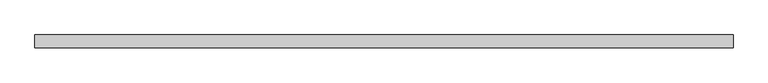
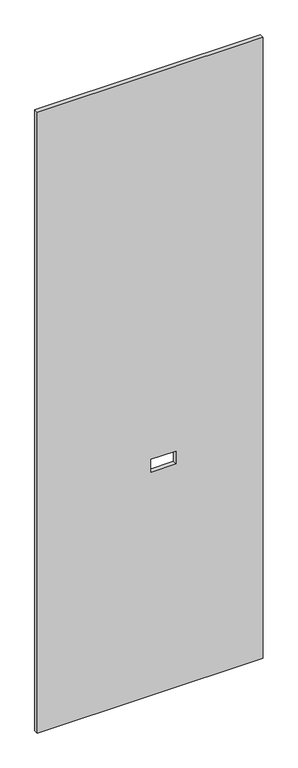
"""IFC4 building model written with IfcOpenShell, lengths in millimetres: proxy geometry."""

from ifc_helpers import new_model, si_unit, frame, origin, place, context, project, spatial, polyline, outline, extrude, source, transform, mapped, element, save


def specialty_equipment_d0f0c710(model_context):
    return source(origin(), model_context, "Body", "SweptSolid", [
        extrude(outline(polyline([(3016.25, -518.8204), (3.175, -518.8204), (3.175, 518.8204), (3016.25, 518.8204), (3016.25, -518.8204)]), holes=[polyline([(1086.485, 118.872), (1086.485, 4.064), (1148.715, 4.064), (1148.715, 118.872), (1086.485, 118.872)])]), frame((0.0, -9.525, 0.0), z_axis=(0.0, 1.0, 0.0), x_axis=(0.0, 0.0, 1.0)), (0.0, 0.0, 1.0), 19.05),
    ])


if __name__ == "__main__":
    model = new_model("IFC4")
    model_context = context("Model", 3, world=origin())
    ifc_project = project(units=[si_unit("LENGTHUNIT", "METRE", prefix="MILLI")], contexts=[model_context])
    site = spatial("IfcSite", under=ifc_project)
    building = spatial("IfcBuilding", under=site)
    placement = place(None, origin())
    specialty_equipment_shape = specialty_equipment_d0f0c710(model_context)
    element("IfcBuildingElementProxy", 1, Name="Specialty Equipment", at=placement, inside=building, context=model_context, shape_type="MappedRepresentation", body=[
        mapped(specialty_equipment_shape, transform((0.0, 0.0, 0.0), x_axis=(1.0, 0.0, 0.0), y_axis=(0.0, 1.0, 0.0), z_axis=(0.0, 0.0, 1.0))),
    ])
    save(model, "model.ifc")
